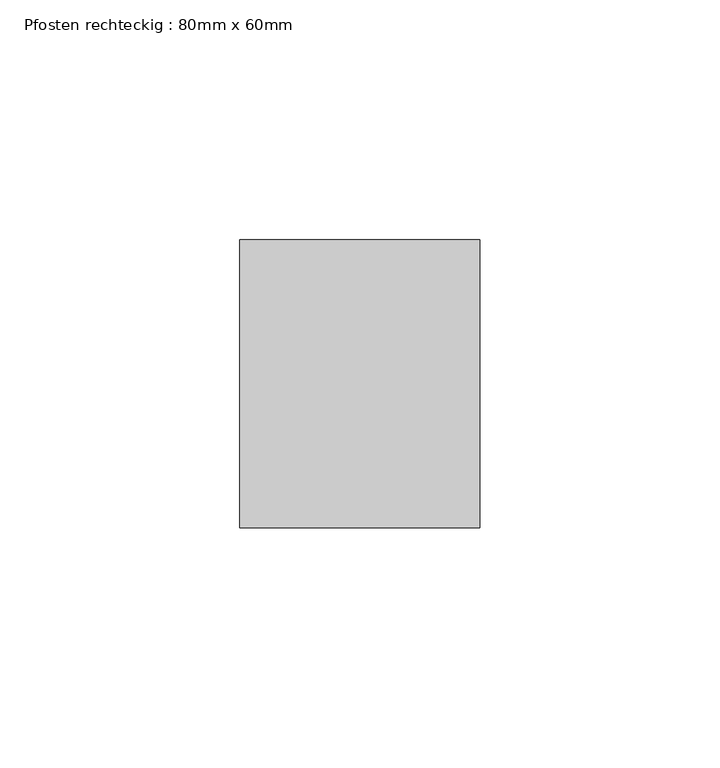
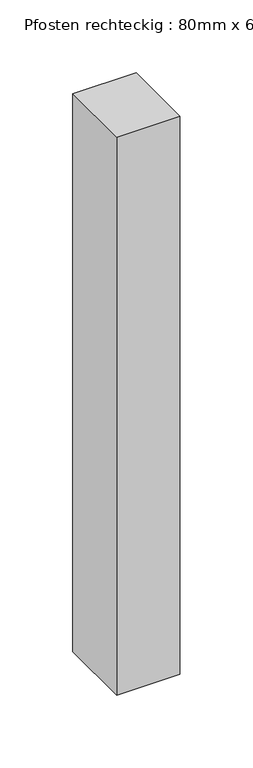
"""IFC4 building model written with IfcOpenShell, lengths in millimetres: member geometry, Pfosten rechteckig : 80mm x 60mm."""

from ifc_helpers import new_model, si_unit, frame, origin, place, context, project, spatial, polyline, outline, extrude, source, transform, mapped, element, save


def pfosten_rechteckig_80mm_x_60mm_d728e716(model_context):
    return source(origin(), model_context, "Body", "SweptSolid", [
        extrude(outline(polyline([(0.0, 30.0), (0.0, -30.0), (-50.0, -30.0), (-50.0, 30.0), (0.0, 30.0)])), frame((0.0, 0.0, -466.6666667), z_axis=(0.0, 0.0, 1.0), x_axis=(1.0, 0.0, 0.0)), (0.0, 0.0, 1.0), 466.6666667),
    ])


if __name__ == "__main__":
    model = new_model("IFC4")
    model_context = context("Model", 3, world=origin())
    ifc_project = project(units=[si_unit("LENGTHUNIT", "METRE", prefix="MILLI")], contexts=[model_context])
    site = spatial("IfcSite", under=ifc_project)
    building = spatial("IfcBuilding", under=site)
    placement = place(None, origin())
    pfosten_rechteckig_80mm_x_60mm_shape = pfosten_rechteckig_80mm_x_60mm_d728e716(model_context)
    element("IfcMember", 1, ObjectType="Pfosten rechteckig : 80mm x 60mm", at=placement, inside=building, context=model_context, shape_type="MappedRepresentation", body=[
        mapped(pfosten_rechteckig_80mm_x_60mm_shape, transform((0.0, 0.0, 0.0), x_axis=(1.0, 0.0, 0.0), y_axis=(0.0, 1.0, 0.0), z_axis=(0.0, 0.0, 1.0))),
    ])
    save(model, "model.ifc")
